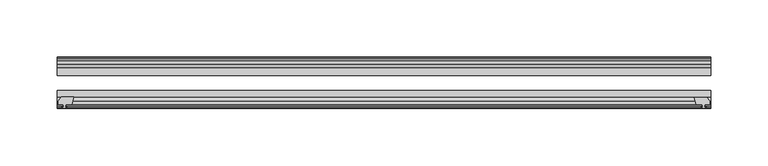
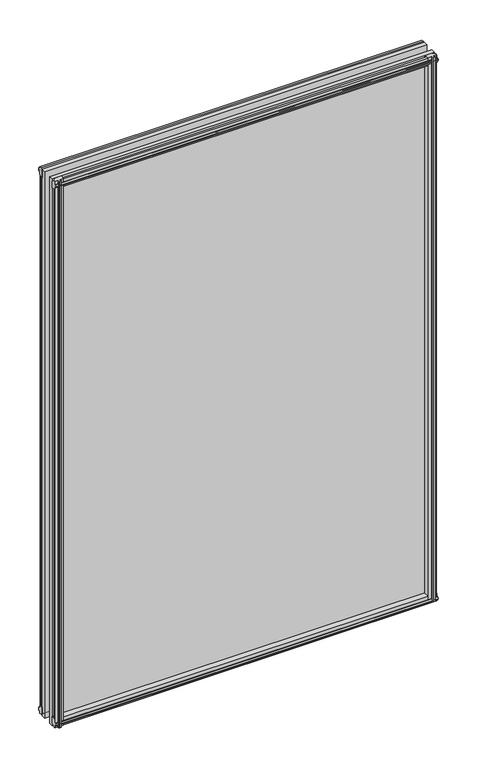
"""IFC4 building model written with IfcOpenShell, lengths in millimetres: plate geometry."""

from ifc_helpers import new_model, si_unit, frame, origin, place, context, project, spatial, polyline, outline, extrude, source, transform, mapped, element, save


def plate_d3917565(model_context):
    return source(origin(), model_context, "Body", "SweptSolid", [
        extrude(outline(polyline([(-271.3322821, -83.2445312), (-273.0500002, -89.5945312), (-278.2570002, -89.5945312), (-278.6380002, -91.9747282), (-277.2224711, -91.514795), (-277.2224711, -92.3160092), (-279.4000002, -93.0235312), (-281.5775292, -92.3160092), (-281.5775292, -91.514795), (-280.1620002, -91.9747282), (-280.5430002, -89.5945312), (-284.9880002, -89.5945312), (-284.9880002, -86.6481312), (-282.153658, -83.2445312), (-271.3322821, -83.2445312)])), frame((0.0, 0.0, -12.4587), z_axis=(0.0, 0.0, 1.0), x_axis=(1.0, 0.0, 0.0)), (0.0, 0.0, 1.0), 863.1174),
        extrude(outline(polyline([(271.3538928, -83.3244209), (282.1752687, -83.3244209), (285.0096108, -86.7280209), (285.0096108, -89.6744209), (280.5646108, -89.6744209), (280.1836108, -92.0546178), (281.5991399, -91.5946846), (281.5991399, -92.3958988), (279.4216108, -93.1034209), (277.2440818, -92.3958988), (277.2440818, -91.5946846), (278.6596108, -92.0546178), (278.2786108, -89.6744209), (273.0716108, -89.6744209), (271.3538928, -83.3244209)])), frame((0.0, 0.0, -9.0482291), z_axis=(0.0, 0.0, 1.0), x_axis=(1.0, 0.0, 0.0)), (0.0, 0.0, 1.0), 859.7069291),
        extrude(outline(polyline([(-280.6827002, -49.1143343), (-282.0982292, -49.5742675), (-282.0982292, -48.7730533), (-279.9207002, -48.0655313), (-277.7431711, -48.7730533), (-277.7431711, -49.5742675), (-279.1587002, -49.1143343), (-278.7777002, -51.4945313), (-273.5707002, -51.4945313), (-271.8529821, -57.8445313), (-282.674358, -57.8445313), (-285.5087002, -54.4409313), (-285.5087002, -51.4945313), (-281.0637002, -51.4945313), (-280.6827002, -49.1143343)])), frame((0.0, 0.0, -12.4587), z_axis=(0.0, 0.0, 1.0), x_axis=(1.0, 0.0, 0.0)), (0.0, 0.0, 1.0), 856.7674),
        extrude(outline(polyline([(271.8529821, -57.8445313), (273.5707002, -51.4945313), (278.7777002, -51.4945313), (279.1587002, -49.1143343), (277.7431711, -49.5742675), (277.7431711, -48.7730533), (279.9207002, -48.0655313), (282.0982292, -48.7730533), (282.0982292, -49.5742675), (280.6827002, -49.1143343), (281.0637002, -51.4945313), (285.5087002, -51.4945313), (285.5087002, -54.4409313), (282.674358, -57.8445313), (271.8529821, -57.8445313)])), frame((0.0, 0.0, -12.4587), z_axis=(0.0, 0.0, 1.0), x_axis=(1.0, 0.0, 0.0)), (0.0, 0.0, 1.0), 856.7674),
        extrude(outline(polyline([(-48.7730533, -4.6931709), (-48.0655312, -6.8707), (-48.7730533, -9.0482291), (-49.5742675, -9.0482291), (-49.1143343, -7.6327), (-51.4945312, -8.0137), (-51.4945312, -12.4587), (-54.4409312, -12.4587), (-57.8445312, -9.6243578), (-57.8445312, 1.1970181), (-51.4945312, -0.5207), (-51.4945312, -5.7277), (-49.1143343, -6.1087), (-49.5742675, -4.6931709), (-48.7730533, -4.6931709)])), frame((-285.7500002, 0.0, 0.0), z_axis=(1.0, 0.0, 0.0), x_axis=(0.0, 1.0, 0.0)), (0.0, 0.0, 1.0), 571.5000003),
        extrude(outline(polyline([(-83.2445312, 1.7177181), (-83.2445312, -9.1036578), (-86.6481312, -11.938), (-89.5945312, -11.938), (-89.5945312, -7.493), (-91.9747282, -7.112), (-91.514795, -8.5275291), (-92.3160092, -8.5275291), (-93.0235312, -6.35), (-92.3160092, -4.1724709), (-91.514795, -4.1724709), (-91.9747282, -5.588), (-89.5945312, -5.207), (-89.5945312, 0.0), (-83.2445312, 1.7177181)])), frame((-285.7500002, 0.0, 0.0), z_axis=(1.0, 0.0, 0.0), x_axis=(0.0, 1.0, 0.0)), (0.0, 0.0, 1.0), 571.5000003),
        extrude(outline(polyline([(-49.1143343, 845.8327), (-49.5742675, 847.2482291), (-48.7730533, 847.2482291), (-48.0655312, 845.0707), (-48.7730533, 842.8931709), (-49.5742675, 842.8931709), (-49.1143343, 844.3087), (-51.4945312, 843.9277), (-51.4945312, 838.7207), (-57.8445313, 837.0029819), (-57.8445313, 847.8243578), (-54.4409312, 850.6587), (-51.4945312, 850.6587), (-51.4945312, 846.2137), (-49.1143343, 845.8327)])), frame((-285.7500002, 0.0, 0.0), z_axis=(1.0, 0.0, 0.0), x_axis=(0.0, 1.0, 0.0)), (0.0, 0.0, 1.0), 571.5000003),
        extrude(outline(polyline([(-89.5945312, 850.138), (-86.6481312, 850.138), (-83.2445313, 847.3036578), (-83.2445313, 836.4822819), (-89.5945312, 838.2), (-89.5945312, 843.407), (-91.9747282, 843.788), (-91.514795, 842.3724709), (-92.3160092, 842.3724709), (-93.0235312, 844.55), (-92.3160092, 846.7275291), (-91.514795, 846.7275291), (-91.9747282, 845.312), (-89.5945312, 845.693), (-89.5945312, 850.138)])), frame((-285.7500002, 0.0, 0.0), z_axis=(1.0, 0.0, 0.0), x_axis=(0.0, 1.0, 0.0)), (0.0, 0.0, 1.0), 571.5000003),
        extrude(outline(polyline([(-285.7500002, -57.8445312), (285.7500002, -57.8445312), (285.7500002, -64.1945313), (-285.7500002, -64.1945313), (-285.7500002, -57.8445312)])), frame((0.0, 0.0, -12.7), z_axis=(0.0, 0.0, 1.0), x_axis=(1.0, 0.0, 0.0)), (0.0, 0.0, 1.0), 863.6),
        extrude(outline(polyline([(-285.7500002, -77.2171112), (285.7500002, -77.2171112), (285.7500002, -83.2445312), (-285.7500002, -83.2445312), (-285.7500002, -77.2171112)])), frame((0.0, 0.0, -12.7), z_axis=(0.0, 0.0, 1.0), x_axis=(1.0, 0.0, 0.0)), (0.0, 0.0, 1.0), 863.6),
    ])


if __name__ == "__main__":
    model = new_model("IFC4")
    model_context = context("Model", 3, world=origin())
    ifc_project = project(units=[si_unit("LENGTHUNIT", "METRE", prefix="MILLI")], contexts=[model_context])
    site = spatial("IfcSite", under=ifc_project)
    building = spatial("IfcBuilding", under=site)
    placement = place(None, origin())
    plate_shape = plate_d3917565(model_context)
    element("IfcPlate", 1, at=placement, inside=building, context=model_context, shape_type="MappedRepresentation", body=[
        mapped(plate_shape, transform((0.0, 0.0, 0.0), x_axis=(1.0, 0.0, 0.0), y_axis=(0.0, 1.0, 0.0), z_axis=(0.0, 0.0, 1.0))),
    ])
    save(model, "model.ifc")
